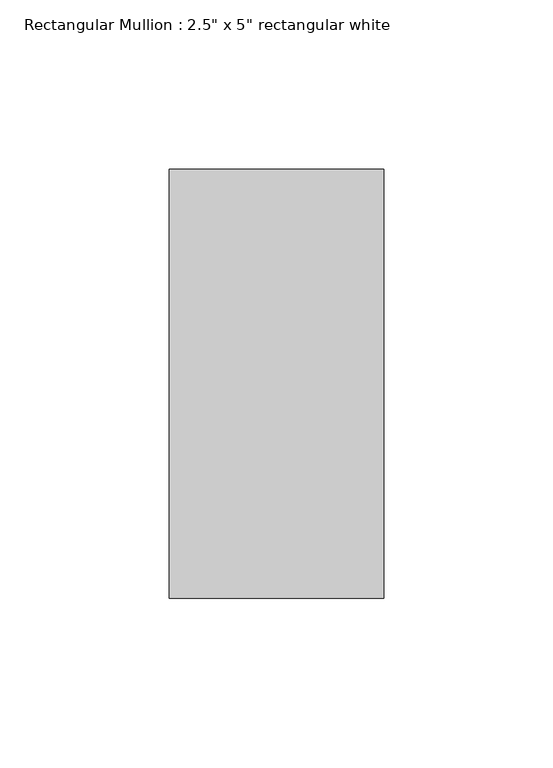
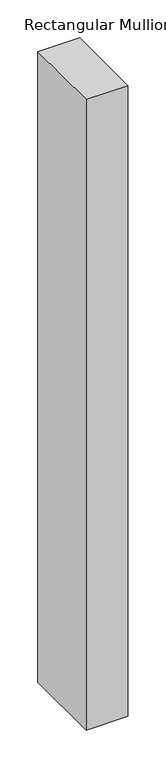
"""IFC4 building model written with IfcOpenShell, lengths in millimetres: member geometry."""

from ifc_helpers import new_model, si_unit, frame, origin, place, context, project, spatial, polyline, outline, extrude, source, transform, mapped, element, save


def member_f92b8aa2(model_context):
    return source(origin(), model_context, "Body", "SweptSolid", [
        extrude(outline(polyline([(31.75, 63.5), (31.75, -63.5), (-31.75, -63.5), (-31.75, 63.5), (31.75, 63.5)])), frame((0.0, 0.0, -1016.0), z_axis=(0.0, 0.0, 1.0), x_axis=(1.0, 0.0, 0.0)), (0.0, 0.0, 1.0), 1016.0),
    ])


if __name__ == "__main__":
    model = new_model("IFC4")
    model_context = context("Model", 3, world=origin())
    ifc_project = project(units=[si_unit("LENGTHUNIT", "METRE", prefix="MILLI")], contexts=[model_context])
    site = spatial("IfcSite", under=ifc_project)
    building = spatial("IfcBuilding", under=site)
    placement = place(None, origin())
    member_shape = member_f92b8aa2(model_context)
    element("IfcMember", 1, ObjectType="Rectangular Mullion : 2.5\" x 5\" rectangular white", at=placement, inside=building, context=model_context, shape_type="MappedRepresentation", body=[
        mapped(member_shape, transform((0.0, 0.0, 0.0), x_axis=(1.0, 0.0, 0.0), y_axis=(0.0, 1.0, 0.0), z_axis=(0.0, 0.0, 1.0))),
    ])
    save(model, "model.ifc")
